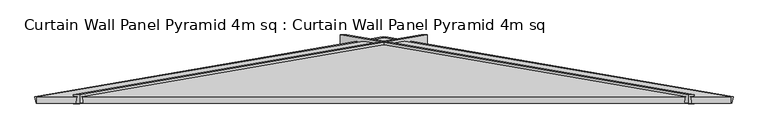
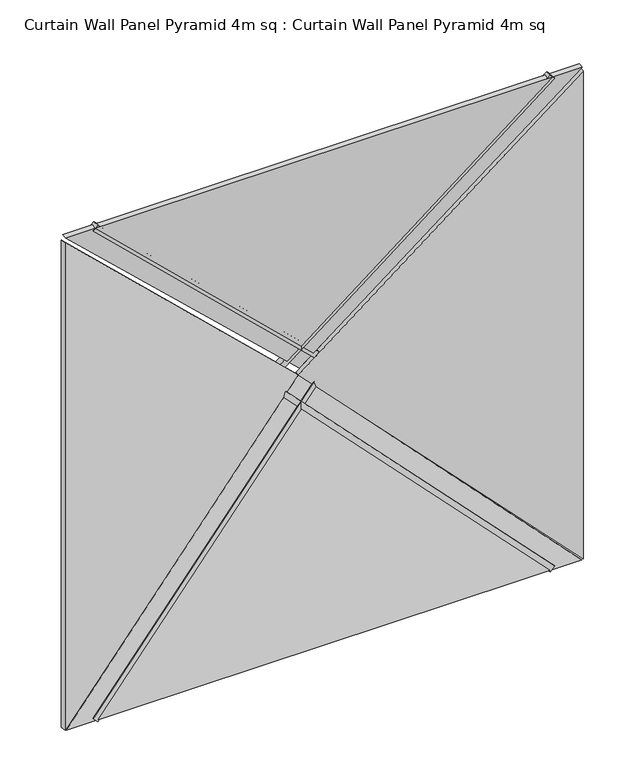
"""IFC4 building model written with IfcOpenShell, lengths in millimetres: plate geometry, Curtain Wall Panel Pyramid 4m sq : Curtain Wall Panel Pyramid 4m sq."""

from ifc_helpers import new_model, si_unit, frame, origin, place, context, project, spatial, polyline, outline, extrude, source, transform, mapped, element, save


def curtain_wall_panel_pyramid_4m_sq_curtain_wall_panel_pyramid_633e1a61(model_context):
    return source(origin(), model_context, "Body", "SweptSolid", [
        extrude(outline(polyline([(-25.0, 0.0), (25.0, 0.0), (-319.5008531, -2828.2124727), (-369.5008531, -2828.2124727), (-25.0, 0.0)])), frame((1749.8223305, 25.0, -17.6776695), z_axis=(0.7071067811865489, 0.0, 0.7071067811865462), x_axis=(0.0, -1.0, 0.0)), (0.0, 0.0, 1.0), 50.0),
        extrude(outline(polyline([(-25.0, 0.0), (25.0, 0.0), (369.5008531, -2828.2124727), (319.5008531, -2828.2124727), (-25.0, 0.0)])), frame((-1749.8223305, 25.0, -17.6776695), z_axis=(-0.7071067811865476, 0.0, 0.7071067811865476), x_axis=(0.0, 1.0, 0.0)), (0.0, 0.0, 1.0), 50.0),
        extrude(outline(polyline([(-25.0, 0.0), (25.0, 0.0), (369.5008531, -2828.2124727), (319.5008531, -2828.2124727), (-25.0, 0.0)])), frame((-1785.1776695, 25.0, 4007.3223305), z_axis=(0.7071067811865489, 0.0, 0.7071067811865462), x_axis=(0.0, 1.0, 0.0)), (0.0, 0.0, 1.0), 50.0),
        extrude(outline(polyline([(-25.0, 0.0), (25.0, 0.0), (-319.5008531, -2828.2124727), (-369.5008531, -2828.2124727), (-25.0, 0.0)])), frame((1785.1776695, 25.0, 4007.3223305), z_axis=(-0.7071067811865472, 0.0, 0.7071067811865479), x_axis=(0.0, -1.0, 0.0)), (0.0, 0.0, 1.0), 50.0),
        extrude(outline(polyline([(1993.2098768, -1014.7271131), (-2.1709376, 1016.8143409), (3988.5906912, 1016.8143409), (1993.2098768, -1014.7271131)])), frame((1000.0, 172.8335872, 0.0), z_axis=(0.16975307948003834, 0.9854866270056859, 0.0), x_axis=(0.0, 0.0, 1.0)), (0.0, 0.0, 1.0), 40.0),
        extrude(outline(polyline([(0.0, -1014.7271131), (-1991.3928218, 1012.7540773), (1991.3928218, 1012.7540773), (0.0, -1014.7271131)])), frame((0.0, 212.2530523, 986.4197536), z_axis=(0.0, -0.9854866270056859, 0.16975307948003834), x_axis=(-1.0, 0.0, 0.0)), (0.0, 0.0, 1.0), 40.0),
        extrude(outline(polyline([(1993.2098768, 1014.7271131), (3986.6374086, -1014.8256606), (-0.217655, -1014.8256606), (1993.2098768, 1014.7271131)])), frame((-1000.0, 172.8335872, 0.0), z_axis=(-0.16975307948003834, 0.9854866270056859, 0.0), x_axis=(0.0, 0.0, 1.0)), (0.0, 0.0, 1.0), 40.0),
        extrude(outline(polyline([(1996.304868, -1017.8221042), (-1996.2959025, -1017.8221042), (2.4233431, 976.0594205), (1996.304868, -1017.8221042)])), frame((0.0, 172.8335872, 3018.2098768), z_axis=(0.0, 0.9854866270056859, 0.16975307948003832), x_axis=(1.0, 0.0, 0.0)), (0.0, 0.0, 1.0), 40.0),
    ])


if __name__ == "__main__":
    model = new_model("IFC4")
    model_context = context("Model", 3, world=origin())
    ifc_project = project(units=[si_unit("LENGTHUNIT", "METRE", prefix="MILLI")], contexts=[model_context])
    site = spatial("IfcSite", under=ifc_project)
    building = spatial("IfcBuilding", under=site)
    placement = place(None, origin())
    curtain_wall_panel_pyramid_4m_sq_curtain_wall_panel_pyramid_shape = curtain_wall_panel_pyramid_4m_sq_curtain_wall_panel_pyramid_633e1a61(model_context)
    element("IfcPlate", 1, ObjectType="Curtain Wall Panel Pyramid 4m sq : Curtain Wall Panel Pyramid 4m sq", at=placement, inside=building, context=model_context, shape_type="MappedRepresentation", body=[
        mapped(curtain_wall_panel_pyramid_4m_sq_curtain_wall_panel_pyramid_shape, transform((0.0, 0.0, 0.0), x_axis=(1.0, 0.0, 0.0), y_axis=(0.0, 1.0, 0.0), z_axis=(0.0, 0.0, 1.0))),
    ])
    save(model, "model.ifc")
